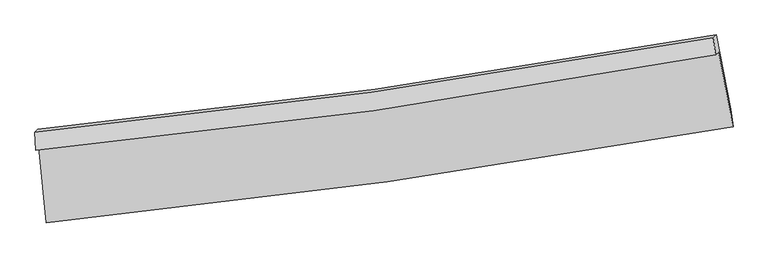
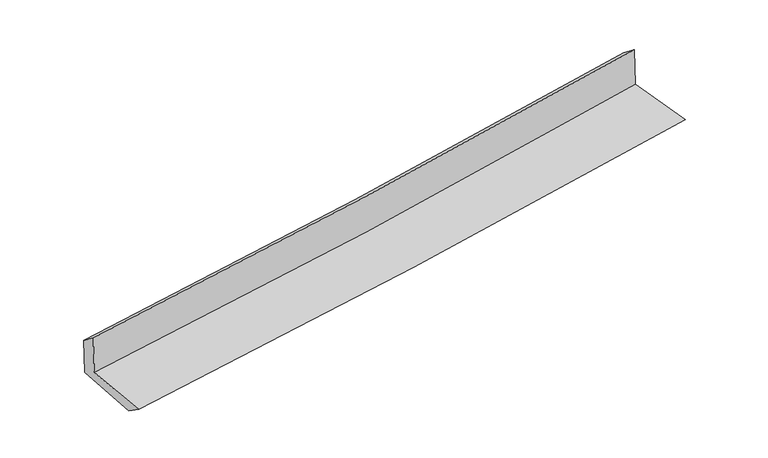
"""IFC4 building model written with IfcOpenShell, lengths in millimetres: proxy geometry."""

from ifc_helpers import new_model, si_unit, frame, origin, place, context, project, spatial, source, transform, mapped, element, save
from ifc_brep_helpers import plane_surface, spline_curve, spline_surface, advanced_brep


def generic_models_0f912004(model_context):
    return source(origin(), model_context, "Body", "AdvancedBrep", [
        advanced_brep(
        [(-3042.4769448, -1897.5565427, 1636.1654407), (-2975.4899843, -2571.8365713, 1618.4020299), (3136.3333548, -1719.959822, 2119.024773), (3008.6663921, -1054.9061424, 2142.1725931), (-3070.9521785, -1929.1588302, 2040.7876579), (2980.4568873, -1079.3841696, 2541.9303214), (-3077.2288203, -1767.0085808, 1918.9613996), (2961.2119468, -926.0749075, 2423.2789246), (-3050.7619871, -1742.0897274, 1548.4358696), (2987.2429487, -900.7366504, 2048.0608228), (-2982.6466787, -2409.948292, 1508.1891825), (3115.6907349, -1560.1874052, 2002.509332)],
        [
            (0, 1),
            (1, 2, spline_curve(3, [(-2975.4899843, -2571.8365713, 1618.4020299), (-1961.954852337, -2468.8874168, 1710.932630157), (-950.407054542, -2347.227077944, 1798.587294918), (1086.939795429, -2063.949858158, 1965.63918557), (2112.666444057, -1901.651280478, 2044.85876821), (3136.3333548, -1719.959822, 2119.024773)], [4, 2, 4], [0.0, 10.018222724323117, 20.21730767675033])),
            (2, 3),
            (3, 0, spline_curve(3, [(3008.6663921, -1054.9061424, 2142.1725931), (1996.414503597, -1237.756851651, 2063.685794585), (981.491851848, -1399.847188746, 1981.868376818), (-1035.649809374, -1680.000889082, 1813.082248208), (-2037.774936583, -1798.794018837, 1726.230615452), (-3042.4769448, -1897.5565427, 1636.1654407)], [4, 2, 4], [0.0, 10.199084952427214, 20.21730767675033])),
            (4, 0),
            (3, 5),
            (5, 4, spline_curve(3, [(2980.4568873, -1079.3841696, 2541.9303214), (1967.987300967, -1266.289091606, 2472.675802267), (952.93423206, -1430.992758961, 2395.845887956), (-1064.292937833, -1713.470562845, 2228.532043943), (-2066.376223747, -1832.025115687, 2138.314403814), (-3070.9521785, -1929.1588302, 2040.7876579)], [4, 2, 4], [0.0, 10.149941240393115, 20.119891727064125])),
            (6, 4),
            (5, 7),
            (7, 6, spline_curve(3, [(2961.2119468, -926.0749075, 2423.2789246), (1950.997119594, -1108.695200516, 2347.914253972), (938.161458175, -1270.525728442, 2267.787267983), (-1074.744258284, -1550.106153456, 2099.514021842), (-2074.722185932, -1668.586849632, 2011.535166342), (-3077.2288203, -1767.0085808, 1918.9613996)], [4, 2, 4], [0.0, 10.139306681516182, 20.098811193876653])),
            (8, 6),
            (7, 9),
            (9, 8, spline_curve(3, [(2987.2429487, -900.7366504, 2048.0608228), (1977.944228598, -1082.708290583, 1961.821637019), (965.599494951, -1244.252971799, 1876.704109982), (-1047.175889994, -1523.985951162, 1710.201887424), (-2047.499468319, -1642.8922955, 1628.777763266), (-3050.7619871, -1742.0897274, 1548.4358696)], [4, 2, 4], [0.0, 10.126903937382654, 20.07422564572668])),
            (10, 8),
            (9, 11),
            (11, 10, spline_curve(3, [(3115.6907349, -1560.1874052, 2002.509332), (2095.062385702, -1741.133240681, 1920.626624051), (1071.985450858, -1902.882850866, 1838.117861088), (-960.87975932, -2185.461695835, 1673.322471146), (-1970.581962429, -2306.965714803, 1591.057850756), (-2982.6466787, -2409.948292, 1508.1891825)], [4, 2, 4], [0.0, 10.175954169121379, 20.171456292525217])),
            (1, 10),
            (11, 2),
        ],
        [
            spline_surface(3, 3, [[(-3042.4769448, -1897.5565427, 1636.1654407), (-2037.774936614, -1798.794018676, 1726.230615293), (-1035.649809437, -1680.000889049, 1813.082248317), (981.491851912, -1399.84718878, 1981.868376707), (1996.414503743, -1237.756851604, 2063.685794475), (3008.6663921, -1054.9061424, 2142.1725931)], [(-3020.147957992, -2122.316552243, 1630.244303763), (-2012.50157522, -2022.158484768, 1721.13128688), (-1007.235557839, -1902.409618678, 1808.250597208), (1016.641166422, -1621.214745216, 1976.458646321), (2035.165150532, -1459.054994611, 2057.410119084), (3051.222046354, -1276.590702264, 2134.456653057)], [(-2997.818971108, -2347.076561757, 1624.323166837), (-1987.22821375, -2245.522950832, 1716.031958478), (-978.821306197, -2124.818348346, 1803.418946073), (1051.790480977, -1842.582301691, 1971.048915909), (2073.915797259, -1680.353137625, 2051.134443722), (3093.777700546, -1498.275262136, 2126.740713043)], [(-2975.4899843, -2571.8365713, 1618.4020299), (-1961.954852356, -2468.887416924, 1710.932630065), (-950.407054599, -2347.227077975, 1798.587294964), (1086.939795488, -2063.949858127, 1965.639185524), (2112.666444048, -1901.651280631, 2044.85876833), (3136.3333548, -1719.959822, 2119.024773)]], [4, 4], [4, 2, 4], [0.0, 2.2067986330676432], [0.0, 10.018222724323117, 20.21730767675033]),
            spline_surface(3, 3, [[(-3070.9521785, -1929.1588302, 2040.7876579), (-2066.376223889, -1832.025115773, 2138.314403677), (-1064.292937676, -1713.470562879, 2228.532043957), (952.9342319, -1430.992758925, 2395.845887942), (1967.987300978, -1266.289091607, 2472.675802223), (2980.4568873, -1079.3841696, 2541.9303214)], [(-3061.460433919, -1918.624734343, 1905.913585483), (-2056.842461449, -1820.948083384, 2000.953140866), (-1054.745228247, -1702.314004928, 2090.048778739), (962.453438587, -1420.610902203, 2257.853384191), (1977.46303524, -1256.778344927, 2336.345799658), (2989.860055573, -1071.224827188, 2408.677745317)], [(-3051.968689381, -1908.090638557, 1771.039513117), (-2047.308699054, -1809.871051066, 1863.591878104), (-1045.197518866, -1691.157447, 1951.565513536), (971.972645226, -1410.229045502, 2119.860880457), (1986.938769482, -1247.267598284, 2200.015797041), (2999.263223827, -1063.065484812, 2275.425169183)], [(-3042.4769448, -1897.5565427, 1636.1654407), (-2037.774936614, -1798.794018676, 1726.230615293), (-1035.649809437, -1680.000889049, 1813.082248317), (981.491851912, -1399.84718878, 1981.868376707), (1996.414503743, -1237.756851604, 2063.685794475), (3008.6663921, -1054.9061424, 2142.1725931)]], [4, 4], [4, 2, 4], [0.0, 1.3679017801753546], [0.0, 9.96995048667101, 20.119891727064125]),
            spline_surface(3, 3, [[(-3077.2288203, -1767.0085808, 1918.9613996), (-2074.72218588, -1668.586849742, 2011.53516636), (-1074.74425822, -1550.106153318, 2099.514021867), (938.161458109, -1270.525728583, 2267.787267957), (1950.997119476, -1108.69520057, 2347.914254137), (2961.2119468, -926.0749075, 2423.2789246)], [(-3075.136606376, -1821.058663957, 1959.570152387), (-2071.940198559, -1723.066271776, 2053.794912153), (-1071.260484707, -1604.560956497, 2142.520029215), (943.085716037, -1324.014738689, 2310.473474603), (1956.660513286, -1161.22649761, 2389.501436832), (2967.626926942, -977.177994895, 2462.8293902)], [(-3073.044392424, -1875.108747043, 2000.178905113), (-2069.15821121, -1777.545693739, 2096.054657884), (-1067.776711188, -1659.0157597, 2185.52603661), (948.009973972, -1377.503748819, 2353.159681296), (1962.323907169, -1213.757794567, 2431.088619528), (2974.041907158, -1028.281082205, 2502.3798558)], [(-3070.9521785, -1929.1588302, 2040.7876579), (-2066.376223889, -1832.025115773, 2138.314403677), (-1064.292937676, -1713.470562879, 2228.532043957), (952.9342319, -1430.992758925, 2395.845887942), (1967.987300978, -1266.289091607, 2472.675802223), (2980.4568873, -1079.3841696, 2541.9303214)]], [4, 4], [4, 2, 4], [0.0, 0.6794425618988766], [0.0, 9.959504512360471, 20.098811193876653]),
            spline_surface(3, 3, [[(-3050.7619871, -1742.0897274, 1548.4358696), (-2047.499468484, -1642.892295404, 1628.777763332), (-1047.175890053, -1523.985951133, 1710.201887394), (965.599495011, -1244.252971828, 1876.704110013), (1977.944228555, -1082.708290439, 1961.821637048), (2987.2429487, -900.7366504, 2048.0608228)], [(-3059.584264835, -1750.396011863, 1671.944379589), (-2056.573707618, -1651.457146846, 1756.36356433), (-1056.365346108, -1532.692685217, 1839.972598901), (956.45348271, -1253.010557436, 2007.065162677), (1968.961858884, -1091.370593817, 2090.519176071), (2978.565948089, -909.182736101, 2173.133523393)], [(-3068.406542565, -1758.702296337, 1795.452889611), (-2065.647946747, -1660.021998299, 1883.949365362), (-1065.554802164, -1541.399419233, 1969.74331036), (947.307470409, -1261.768142975, 2137.426215294), (1959.979489147, -1100.032897192, 2219.216715114), (2969.888947411, -917.628821799, 2298.206224007)], [(-3077.2288203, -1767.0085808, 1918.9613996), (-2074.72218588, -1668.586849742, 2011.53516636), (-1074.74425822, -1550.106153318, 2099.514021867), (938.161458109, -1270.525728583, 2267.787267957), (1950.997119476, -1108.69520057, 2347.914254137), (2961.2119468, -926.0749075, 2423.2789246)]], [4, 4], [4, 2, 4], [0.0, 1.2862740388170917], [0.0, 9.947321708344028, 20.07422564572668]),
            spline_surface(3, 3, [[(-2982.6466787, -2409.948292, 1508.1891825), (-1970.581962457, -2306.965714684, 1591.057850617), (-960.879759382, -2185.461695949, 1673.322471023), (1071.985450921, -1902.882850749, 1838.117861214), (2095.062385702, -1741.133240576, 1920.62662395), (3115.6907349, -1560.1874052, 2002.509332)], [(-3005.351781478, -2187.328770457, 1521.604744881), (-1996.221131111, -2085.607908247, 1603.631154869), (-989.645136262, -1964.969780985, 1685.615609816), (1036.523465628, -1683.339557751, 1850.97994415), (2056.022999982, -1521.658257197, 1934.35829497), (3072.874806162, -1340.370486933, 2017.693162254)], [(-3028.056884322, -1964.709248943, 1535.020307219), (-2021.860299831, -1864.25010184, 1616.20445908), (-1018.410513173, -1744.477866096, 1697.908748601), (1001.061480304, -1463.796264827, 1863.842027077), (2016.983614275, -1302.183273818, 1948.089966028), (3030.058877438, -1120.553568667, 2032.876992546)], [(-3050.7619871, -1742.0897274, 1548.4358696), (-2047.499468484, -1642.892295404, 1628.777763332), (-1047.175890053, -1523.985951133, 1710.201887394), (965.599495011, -1244.252971828, 1876.704110013), (1977.944228555, -1082.708290439, 1961.821637048), (2987.2429487, -900.7366504, 2048.0608228)]], [4, 4], [4, 2, 4], [0.0, 2.191978524099099], [0.0, 9.995502123403838, 20.171456292525217]),
            spline_surface(3, 3, [[(-2975.4899843, -2571.8365713, 1618.4020299), (-1961.954852356, -2468.887416924, 1710.932630065), (-950.407054599, -2347.227077975, 1798.587294964), (1086.939795488, -2063.949858127, 1965.639185524), (2112.666444048, -1901.651280631, 2044.85876833), (3136.3333548, -1719.959822, 2119.024773)], [(-2977.875549101, -2517.873811538, 1581.664414098), (-1964.830555724, -2414.913516182, 1670.974370246), (-953.897956203, -2293.305283997, 1756.832353644), (1081.955013956, -2010.260855699, 1923.132077414), (2106.798424579, -1848.145267266, 2003.448053549), (3129.45248148, -1666.70234972, 2080.186292679)], [(-2980.261113899, -2463.911051762, 1544.926798302), (-1967.70625909, -2360.939615426, 1631.016110435), (-957.388857778, -2239.383489927, 1715.077412342), (1076.970232453, -1956.571853178, 1880.624969323), (2100.930405171, -1794.639253941, 1962.037338731), (3122.57160822, -1613.44487748, 2041.347812321)], [(-2982.6466787, -2409.948292, 1508.1891825), (-1970.581962457, -2306.965714684, 1591.057850617), (-960.879759382, -2185.461695949, 1673.322471023), (1071.985450921, -1902.882850749, 1838.117861214), (2095.062385702, -1741.133240576, 1920.62662395), (3115.6907349, -1560.1874052, 2002.509332)]], [4, 4], [4, 2, 4], [0.0, 0.6739380340472356], [0.0, 10.05588882357632, 20.29331987357803]),
            plane_surface(frame((3031.6003774, -1206.8748495, 2212.8294611), z_axis=(0.9794000234069427, 0.1852101618827074, 0.08045365178698706), x_axis=(-0.06905278759852089, -0.0672151343622342, 0.9953460896781282))),
            plane_surface(frame((-3033.2594323, -2052.9330907, 1711.8235967), z_axis=(-0.992316678140253, -0.09654422363877609, -0.07737456408070831), x_axis=(-0.09882530046301982, 0.9947596667034679, 0.026206210874509205))),
        ],
        [
            (0, [[1, 2, 3, 4]]),
            (1, [[5, -4, 6, 7]]),
            (2, [[8, -7, 9, 10]]),
            (3, [[11, -10, 12, 13]]),
            (4, [[14, -13, 15, 16]]),
            (5, [[17, -16, 18, -2]]),
            (6, [[-12, -9, -6, -3, -18, -15]]),
            (7, [[-1, -5, -8, -11, -14, -17]]),
        ],
    ),
    ])


if __name__ == "__main__":
    model = new_model("IFC4")
    model_context = context("Model", 3, world=origin())
    ifc_project = project(units=[si_unit("LENGTHUNIT", "METRE", prefix="MILLI")], contexts=[model_context])
    site = spatial("IfcSite", under=ifc_project)
    building = spatial("IfcBuilding", under=site)
    placement = place(None, origin())
    generic_models_shape = generic_models_0f912004(model_context)
    element("IfcBuildingElementProxy", 1, Name="Generic Models", at=placement, inside=building, context=model_context, shape_type="MappedRepresentation", body=[
        mapped(generic_models_shape, transform((0.0, 0.0, 0.0), x_axis=(1.0, 0.0, 0.0), y_axis=(0.0, 1.0, 0.0), z_axis=(0.0, 0.0, 1.0))),
    ])
    save(model, "model.ifc")
